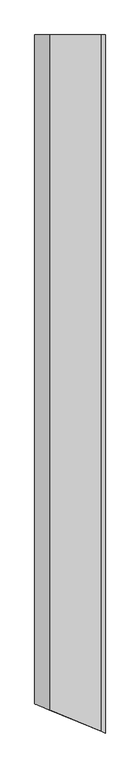
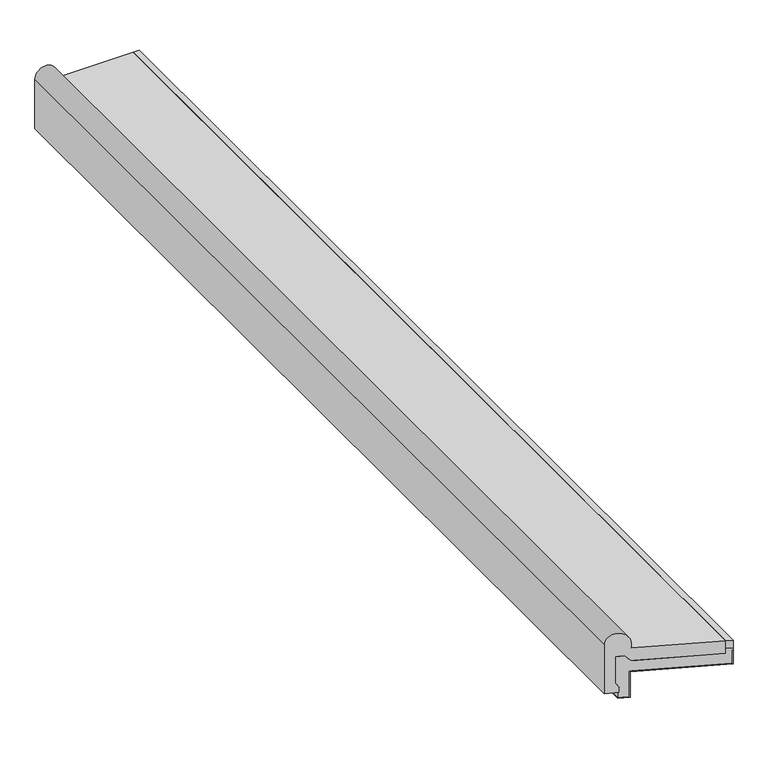
"""IFC4 building model written with IfcOpenShell, lengths in millimetres: proxy geometry."""

from ifc_helpers import new_model, si_unit, frame, origin, place, context, project, spatial, polyline, circle_curve, ellipse_curve, outline, extrude, faceted_brep, source, transform, mapped, element, save
from ifc_brep_helpers import plane_surface, cylinder_surface, advanced_brep


def generic_models_e421bf78(model_context):
    return source(origin(), model_context, "Body", "SolidModel", [
        extrude(outline(polyline([(180.0, 943.3515883), (191.0, 943.3515883), (191.0, -943.3515883), (180.0, -938.7952391), (180.0, 943.3515883)])), frame((0.0, 0.0, 81.0), z_axis=(0.0, 0.0, 1.0), x_axis=(1.0, 0.0, 0.0)), (0.0, 0.0, 1.0), 15.0),
        faceted_brep([(190.0, -942.9373747, 76.0), (190.0, -942.9373747, 51.0), (37.5062786, -879.7724071, 51.0), (37.5062786, -879.7724071, 1.0), (20.0, -872.5210691, 1.0), (20.0, -872.5210691, 0.0), (38.5062786, -880.1866207, 0.0), (38.5062786, -880.1866207, 50.0), (191.0, -943.3515883, 50.0), (191.0, -943.3515883, 76.0), (190.0, 943.3515883, 76.0), (190.0, 943.3515883, 51.0), (191.0, 943.3515883, 76.0), (191.0, 943.3515883, 50.0), (38.5062786, 943.3515883, 50.0), (38.5062786, 943.3515883, 0.0), (20.0, 943.3515883, 0.0), (20.0, 943.3515883, 1.0), (37.5062786, 943.3515883, 1.0), (37.5062786, 943.3515883, 51.0)], [[[0, 1, 2, 3, 4, 5, 6, 7, 8, 9]], [[10, 11, 1, 0]], [[12, 10, 0, 9]], [[13, 12, 9, 8]], [[14, 13, 8, 7]], [[15, 14, 7, 6]], [[16, 15, 6, 5]], [[17, 16, 5, 4]], [[18, 17, 4, 3]], [[19, 18, 3, 2]], [[11, 19, 2, 1]], [[11, 10, 12, 13, 14, 15, 16, 17, 18, 19]]]),
        faceted_brep([(17.5062786, -871.4881359, 29.6493791), (22.5, -873.556603, 21.0), (22.5, -873.556603, 11.0), (20.0, -872.5210691, 11.0), (20.0, -872.5210691, 1.0), (37.5062786, -879.7724071, 1.0), (37.5062786, -879.7724071, 51.0), (190.0, -942.9373747, 51.0), (190.0, -942.9373747, 76.0), (191.0, -943.3515883, 76.0), (191.0, -943.3515883, 81.0), (180.0, -938.7952391, 81.0), (180.0, -938.7952391, 71.0), (40.0, -880.8053403, 71.0), (30.0, -876.6632047, 81.0), (17.5062786, -871.4881359, 81.0), (17.5062786, 943.3515883, 29.6493791), (22.5, 943.3515883, 21.0), (17.5062786, 943.3515883, 81.0), (30.0, 943.3515883, 81.0), (40.0, 943.3515883, 71.0), (180.0, 943.3515883, 71.0), (180.0, 943.3515883, 81.0), (191.0, 943.3515883, 81.0), (190.0, 943.3515883, 51.0), (190.0, 943.3515883, 76.0), (37.5062786, 943.3515883, 51.0), (37.5062786, 943.3515883, 1.0), (20.0, 943.3515883, 1.0), (20.0, 943.3515883, 11.0), (22.5, 943.3515883, 11.0), (191.0, 943.3515883, 76.0)], [[[0, 1, 2, 3, 4, 5, 6, 7, 8, 9, 10, 11, 12, 13, 14, 15]], [[16, 17, 1, 0]], [[18, 16, 0, 15]], [[19, 18, 15, 14]], [[20, 19, 14, 13]], [[21, 20, 13, 12]], [[22, 21, 12, 11]], [[23, 22, 11, 10]], [[24, 25, 8, 7]], [[26, 24, 7, 6]], [[27, 26, 6, 5]], [[28, 27, 5, 4]], [[29, 28, 4, 3]], [[30, 29, 3, 2]], [[17, 30, 2, 1]], [[31, 23, 10, 9]], [[25, 31, 9, 8]], [[17, 16, 18, 19, 20, 21, 22, 23, 31, 25, 24, 26, 27, 28, 29, 30]]]),
        advanced_brep(
        [(180.0, 943.3515883, 96.0), (40.0, 943.3515883, 96.0), (40.0, -880.8053403, 96.0), (180.0, -938.7952391, 96.0), (180.0, 943.3515883, 71.0), (180.0, -938.7952391, 71.0), (40.0, 943.3515883, 71.0), (40.0, -880.8053403, 71.0), (30.0, 943.3515883, 81.0), (30.0, -876.6632047, 81.0), (17.5062786, 943.3515883, 81.0), (17.5062786, -871.4881359, 81.0), (17.5062786, 943.3515883, 29.6493791), (17.5062786, -871.4881359, 29.6493791), (22.5, 943.3515883, 21.0), (22.5, -873.556603, 21.0), (22.5, 943.3515883, 11.0), (22.5, -873.556603, 11.0), (0.0, 943.3515883, 11.0), (0.0, -864.2367978, 11.0), (0.0, 943.3515883, 106.0), (0.0, -864.2367978, 106.0), (40.0, 943.3515883, 106.0), (20.0, -872.5210691, 126.0), (40.0, -880.8053403, 106.0)],
        [
            (0, 1),
            (1, 2),
            (2, 3),
            (3, 0),
            (4, 0),
            (3, 5),
            (5, 4),
            (6, 4),
            (5, 7),
            (7, 6),
            (8, 6),
            (7, 9),
            (9, 8),
            (10, 8),
            (9, 11),
            (11, 10),
            (12, 10),
            (11, 13),
            (13, 12),
            (14, 12),
            (13, 15),
            (15, 14),
            (16, 14),
            (15, 17),
            (17, 16),
            (18, 16),
            (17, 19),
            (19, 18),
            (20, 18),
            (19, 21),
            (21, 20),
            (22, 20, circle_curve(frame((20.0, 943.3515883, 106.0), z_axis=(0.0, -1.0, 0.0), x_axis=(1.0, 0.0, 0.0)), 20.0)),
            (21, 23, ellipse_curve(frame((20.0, -872.5210691, 106.0), z_axis=(0.3826834323650894, 0.923879532511287, 0.0), x_axis=(-0.9238795325112871, 0.3826834323650891, 0.0)), 21.647844, 20.0)),
            (23, 24, ellipse_curve(frame((20.0, -872.5210691, 106.0), z_axis=(0.3826834323650894, 0.923879532511287, 0.0), x_axis=(-0.9238795325112871, 0.3826834323650891, 0.0)), 21.647844, 20.0)),
            (24, 22),
            (1, 22),
            (24, 2),
        ],
        [
            plane_surface(frame((40.0, 943.3515883, 96.0), z_axis=(0.0, 0.0, 1.0), x_axis=(0.0, -1.0, 0.0))),
            plane_surface(frame((180.0, 943.3515883, 96.0), z_axis=(1.0, 0.0, 0.0), x_axis=(0.0, -1.0, 0.0))),
            plane_surface(frame((180.0, 943.3515883, 71.0), z_axis=(0.0, 0.0, -1.0), x_axis=(0.0, -1.0, 0.0))),
            plane_surface(frame((40.0, 943.3515883, 71.0), z_axis=(-0.7071067811865497, 0.0, -0.7071067811865455), x_axis=(0.0, -1.0, 0.0))),
            plane_surface(frame((30.0, 943.3515883, 81.0), z_axis=(0.0, 0.0, -1.0), x_axis=(0.0, -1.0, 0.0))),
            plane_surface(frame((17.5062786, 943.3515883, 81.0), z_axis=(1.0, 0.0, 0.0), x_axis=(0.0, -1.0, 0.0))),
            plane_surface(frame((17.5062786, 943.3515883, 29.6493791), z_axis=(0.8660254037844387, 0.0, 0.5), x_axis=(0.0, -1.0, 0.0))),
            plane_surface(frame((22.5, 943.3515883, 21.0), z_axis=(1.0, 0.0, 0.0), x_axis=(0.0, -1.0, 0.0))),
            plane_surface(frame((22.5, 943.3515883, 11.0), z_axis=(0.0, 0.0, -1.0), x_axis=(0.0, -1.0, 0.0))),
            plane_surface(frame((0.0, 943.3515883, 11.0), z_axis=(-1.0, 0.0, 0.0), x_axis=(0.0, -1.0, 0.0))),
            cylinder_surface(frame((20.0, 943.3515883, 106.0), z_axis=(0.0, 1.0, 0.0), x_axis=(1.0, 0.0, 0.0)), 20.0),
            plane_surface(frame((40.0, 943.3515883, 106.0), z_axis=(1.0, 0.0, 0.0), x_axis=(0.0, -1.0, 0.0))),
            plane_surface(frame((191.0, -943.3515883, 126.0), z_axis=(-0.3826834323650894, -0.923879532511287, 0.0), x_axis=(0.0, 0.0, -1.0))),
            plane_surface(frame((0.0, 943.3515883, 0.0), z_axis=(0.0, 1.0, 0.0), x_axis=(0.0, 0.0, 1.0))),
        ],
        [
            (0, [[1, 2, 3, 4]]),
            (1, [[5, -4, 6, 7]]),
            (2, [[8, -7, 9, 10]]),
            (3, [[11, -10, 12, 13]]),
            (4, [[14, -13, 15, 16]]),
            (5, [[17, -16, 18, 19]]),
            (6, [[20, -19, 21, 22]]),
            (7, [[23, -22, 24, 25]]),
            (8, [[26, -25, 27, 28]]),
            (9, [[29, -28, 30, 31]]),
            (10, [[32, -31, 33, 34, 35]]),
            (11, [[36, -35, 37, -2]]),
            (12, [[-3, -37, -34, -33, -30, -27, -24, -21, -18, -15, -12, -9, -6]]),
            (13, [[-1, -5, -8, -11, -14, -17, -20, -23, -26, -29, -32, -36]]),
        ],
    ),
    ])


if __name__ == "__main__":
    model = new_model("IFC4")
    model_context = context("Model", 3, world=origin())
    ifc_project = project(units=[si_unit("LENGTHUNIT", "METRE", prefix="MILLI")], contexts=[model_context])
    site = spatial("IfcSite", under=ifc_project)
    building = spatial("IfcBuilding", under=site)
    placement = place(None, origin())
    generic_models_shape = generic_models_e421bf78(model_context)
    element("IfcBuildingElementProxy", 1, Name="Generic Models", at=placement, inside=building, context=model_context, shape_type="MappedRepresentation", body=[
        mapped(generic_models_shape, transform((0.0, 0.0, 0.0), x_axis=(1.0, 0.0, 0.0), y_axis=(0.0, 1.0, 0.0), z_axis=(0.0, 0.0, 1.0))),
    ])
    save(model, "model.ifc")
